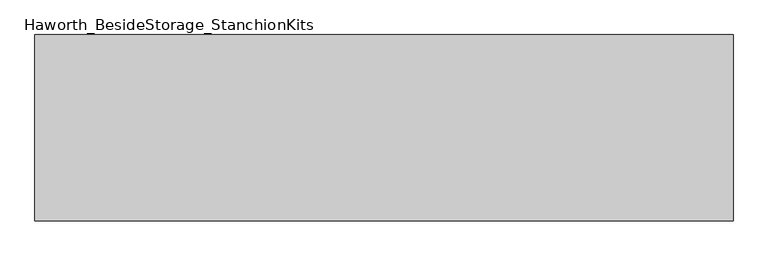
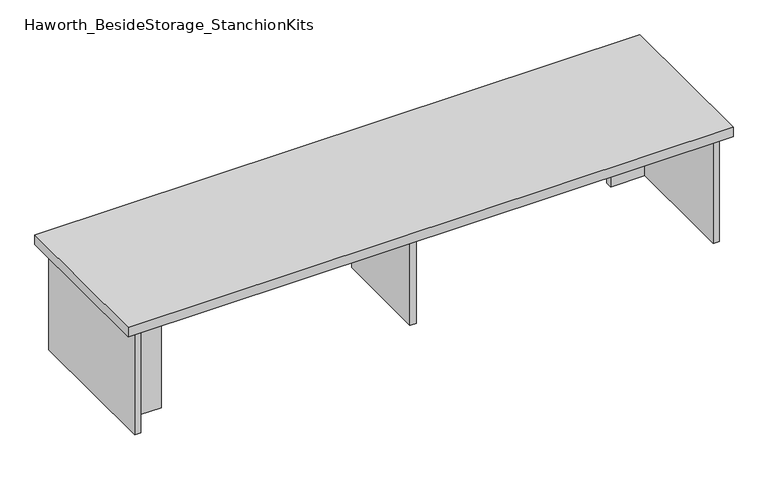
"""IFC4 building model written with IfcOpenShell, lengths in millimetres: furniture geometry, Haworth_BesideStorage_StanchionKits."""

from ifc_helpers import new_model, si_unit, frame, origin, place, context, project, spatial, polyline, outline, extrude, source, transform, mapped, element, save


def haworth_besidestorage_stanchionkits_024dc84b(model_context):
    return source(origin(), model_context, "Body", "SweptSolid", [
        extrude(outline(polyline([(923.925, 0.0), (923.925, -406.4), (-600.075, -406.4), (-600.075, 0.0), (923.925, 0.0)])), frame((0.0, 0.0, 711.2), z_axis=(0.0, 0.0, 1.0), x_axis=(1.0, 0.0, 0.0)), (0.0, 0.0, 1.0), 25.4),
        extrude(outline(polyline([(796.925, -76.2), (882.65, -76.2), (882.65, -92.075), (796.925, -92.075), (796.925, -76.2)])), frame((0.0, 0.0, 431.8), z_axis=(0.0, 0.0, 1.0), x_axis=(1.0, 0.0, 0.0)), (0.0, 0.0, 1.0), 279.4),
        extrude(outline(polyline([(-473.075, -314.325), (-473.075, -330.2), (-558.8, -330.2), (-558.8, -314.325), (-473.075, -314.325)])), frame((0.0, 0.0, 431.8), z_axis=(0.0, 0.0, 1.0), x_axis=(1.0, 0.0, 0.0)), (0.0, 0.0, 1.0), 279.4),
        extrude(outline(polyline([(169.8625, -330.2), (153.9875, -330.2), (153.9875, -76.2), (169.8625, -76.2), (169.8625, -330.2)])), frame((0.0, 0.0, 431.8), z_axis=(0.0, 0.0, 1.0), x_axis=(1.0, 0.0, 0.0)), (0.0, 0.0, 1.0), 279.4),
        extrude(outline(polyline([(898.525, -390.525), (882.65, -390.525), (882.65, -15.875), (898.525, -15.875), (898.525, -390.525)])), frame((0.0, 0.0, 431.8), z_axis=(0.0, 0.0, 1.0), x_axis=(1.0, 0.0, 0.0)), (0.0, 0.0, 1.0), 279.4),
        extrude(outline(polyline([(-558.8, -390.525), (-574.675, -390.525), (-574.675, -15.875), (-558.8, -15.875), (-558.8, -390.525)])), frame((0.0, 0.0, 431.8), z_axis=(0.0, 0.0, 1.0), x_axis=(1.0, 0.0, 0.0)), (0.0, 0.0, 1.0), 279.4),
    ])


if __name__ == "__main__":
    model = new_model("IFC4")
    model_context = context("Model", 3, world=origin())
    ifc_project = project(units=[si_unit("LENGTHUNIT", "METRE", prefix="MILLI")], contexts=[model_context])
    site = spatial("IfcSite", under=ifc_project)
    building = spatial("IfcBuilding", under=site)
    placement = place(None, origin())
    haworth_besidestorage_stanchionkits_shape = haworth_besidestorage_stanchionkits_024dc84b(model_context)
    element("IfcFurniture", 1, ObjectType="Haworth_BesideStorage_StanchionKits", at=placement, inside=building, context=model_context, shape_type="MappedRepresentation", body=[
        mapped(haworth_besidestorage_stanchionkits_shape, transform((0.0, 0.0, 0.0), x_axis=(1.0, 0.0, 0.0), y_axis=(0.0, 1.0, 0.0), z_axis=(0.0, 0.0, 1.0))),
    ])
    save(model, "model.ifc")
